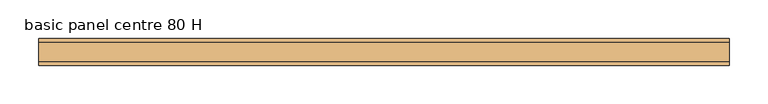
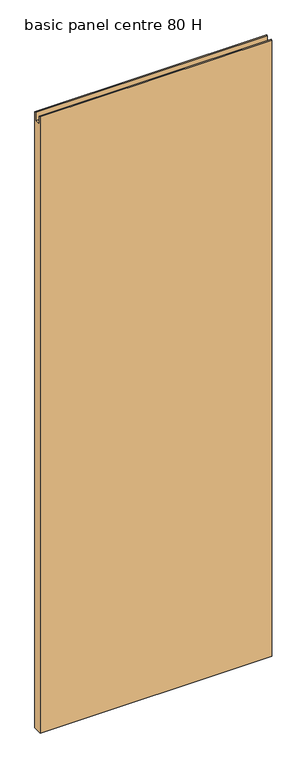
"""IFC4 building model written with IfcOpenShell, lengths in millimetres: door geometry, basic panel centre 80 H."""

from ifc_helpers import new_model, si_unit, frame, origin, place, context, project, spatial, polyline, outline, extrude, source, transform, mapped, element, save


def basic_panel_centre_80_h_fb6f86c7(model_context):
    return source(origin(), model_context, "Body", "SweptSolid", [
        extrude(outline(polyline([(-17.5, 11.0), (-17.5, 2531.0), (-13.0, 2531.0), (-13.0, 2497.0), (13.0, 2497.0), (13.0, 2531.0), (17.5, 2531.0), (17.5, 11.0), (-17.5, 11.0)])), frame((-448.0, 0.0, 0.0), z_axis=(1.0, 0.0, 0.0), x_axis=(0.0, 1.0, 0.0)), (0.0, 0.0, 1.0), 896.0),
    ])


if __name__ == "__main__":
    model = new_model("IFC4")
    model_context = context("Model", 3, world=origin())
    ifc_project = project(units=[si_unit("LENGTHUNIT", "METRE", prefix="MILLI")], contexts=[model_context])
    site = spatial("IfcSite", under=ifc_project)
    building = spatial("IfcBuilding", under=site)
    placement = place(None, origin())
    basic_panel_centre_80_h_shape = basic_panel_centre_80_h_fb6f86c7(model_context)
    element("IfcDoor", 1, ObjectType="basic panel centre 80 H", at=placement, inside=building, context=model_context, shape_type="MappedRepresentation", body=[
        mapped(basic_panel_centre_80_h_shape, transform((0.0, 0.0, 0.0), x_axis=(1.0, 0.0, 0.0), y_axis=(0.0, 1.0, 0.0), z_axis=(0.0, 0.0, 1.0))),
    ])
    save(model, "model.ifc")
